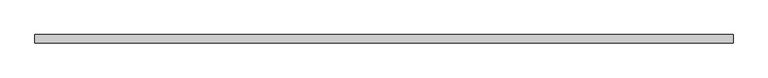
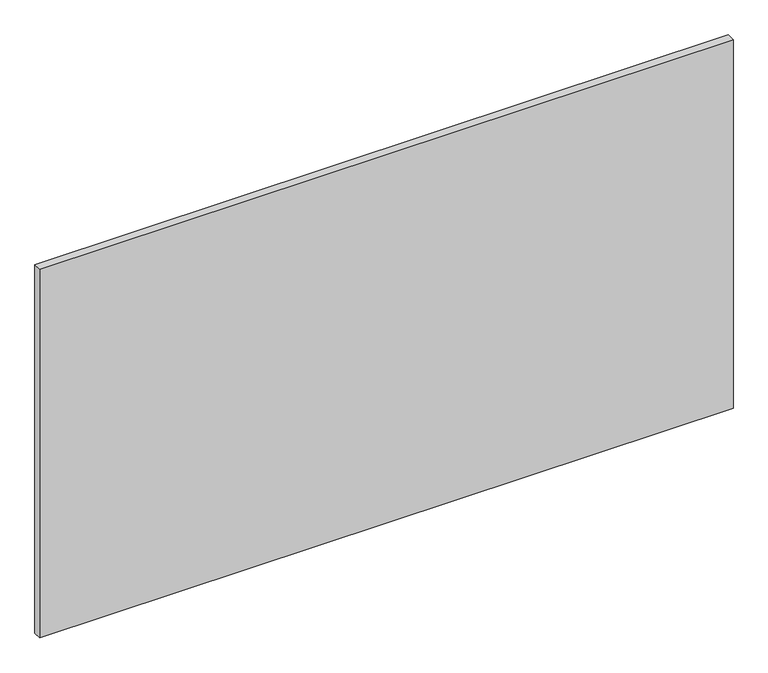
"""IFC4 building model written with IfcOpenShell, lengths in millimetres: plate geometry."""

from ifc_helpers import new_model, si_unit, origin, origin_with_axes, place, context, project, spatial, polyline, outline, extrude, source, transform, mapped, element, save


def plate_9b5b591a(model_context):
    return source(origin(), model_context, "Body", "SweptSolid", [
        extrude(outline(polyline([(616.65, 7.25), (616.65, -7.25), (-616.65, -7.25), (-616.65, 7.25), (616.65, 7.25)])), origin_with_axes(), (0.0, 0.0, 1.0), 693.2),
    ])


if __name__ == "__main__":
    model = new_model("IFC4")
    model_context = context("Model", 3, world=origin())
    ifc_project = project(units=[si_unit("LENGTHUNIT", "METRE", prefix="MILLI")], contexts=[model_context])
    site = spatial("IfcSite", under=ifc_project)
    building = spatial("IfcBuilding", under=site)
    placement = place(None, origin())
    plate_shape = plate_9b5b591a(model_context)
    element("IfcPlate", 1, at=placement, inside=building, context=model_context, shape_type="MappedRepresentation", body=[
        mapped(plate_shape, transform((0.0, 0.0, 0.0), x_axis=(1.0, 0.0, 0.0), y_axis=(0.0, 1.0, 0.0), z_axis=(0.0, 0.0, 1.0))),
    ])
    save(model, "model.ifc")
